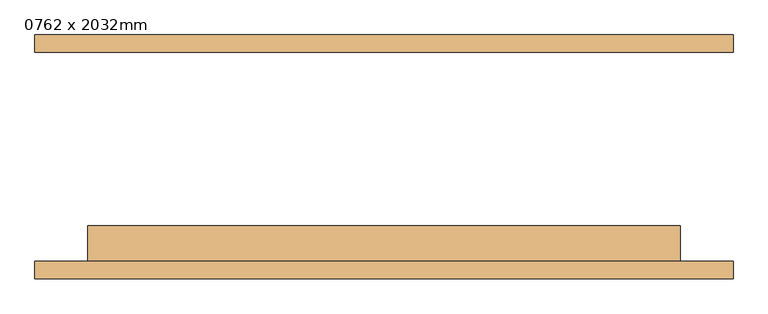
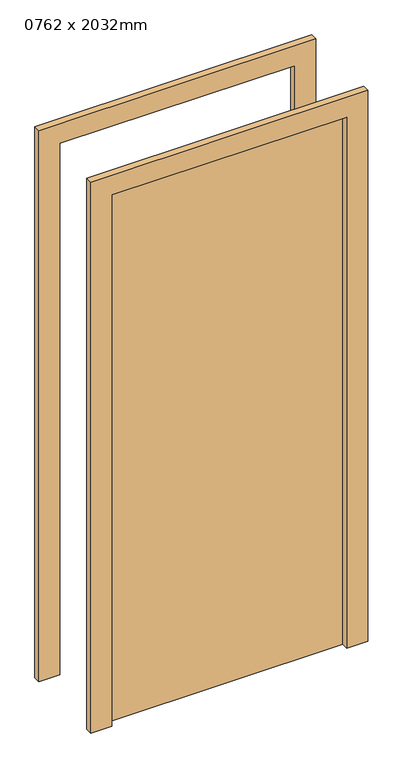
"""IFC4 building model written with IfcOpenShell, lengths in millimetres: door geometry, 0762 x 2032mm."""

from ifc_helpers import new_model, si_unit, frame, origin, origin_with_axes, place, context, project, spatial, polyline, outline, extrude, source, transform, mapped, element, save


def door_0762_x_2032mm_eb2e5302(model_context):
    return source(origin(), model_context, "Body", "SweptSolid", [
        extrude(outline(polyline([(2108.0, -501.0), (0.0, -501.0), (0.0, -425.0), (2032.0, -425.0), (2032.0, 425.0), (0.0, 425.0), (0.0, 501.0), (2108.0, 501.0), (2108.0, -501.0)])), frame((0.0, -175.0, 0.0), z_axis=(0.0, 1.0, 0.0), x_axis=(0.0, 0.0, 1.0)), (0.0, 0.0, 1.0), 25.0),
        extrude(outline(polyline([(2108.0, 501.0), (2108.0, -501.0), (0.0, -501.0), (0.0, -425.0), (2032.0, -425.0), (2032.0, 425.0), (0.0, 425.0), (0.0, 501.0), (2108.0, 501.0)])), frame((0.0, 150.0, 0.0), z_axis=(0.0, 1.0, 0.0), x_axis=(0.0, 0.0, 1.0)), (0.0, 0.0, 1.0), 25.0),
        extrude(outline(polyline([(425.0, -99.0), (425.0, -150.0), (-425.0, -150.0), (-425.0, -99.0), (425.0, -99.0)])), origin_with_axes(), (0.0, 0.0, 1.0), 2032.0),
    ])


if __name__ == "__main__":
    model = new_model("IFC4")
    model_context = context("Model", 3, world=origin())
    ifc_project = project(units=[si_unit("LENGTHUNIT", "METRE", prefix="MILLI")], contexts=[model_context])
    site = spatial("IfcSite", under=ifc_project)
    building = spatial("IfcBuilding", under=site)
    placement = place(None, origin())
    door_0762_x_2032mm_shape = door_0762_x_2032mm_eb2e5302(model_context)
    element("IfcDoor", 1, ObjectType="0762 x 2032mm", at=placement, inside=building, context=model_context, shape_type="MappedRepresentation", body=[
        mapped(door_0762_x_2032mm_shape, transform((0.0, 0.0, 0.0), x_axis=(1.0, 0.0, 0.0), y_axis=(0.0, 1.0, 0.0), z_axis=(0.0, 0.0, 1.0))),
    ])
    save(model, "model.ifc")
